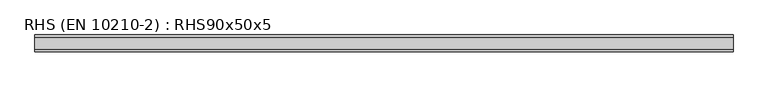
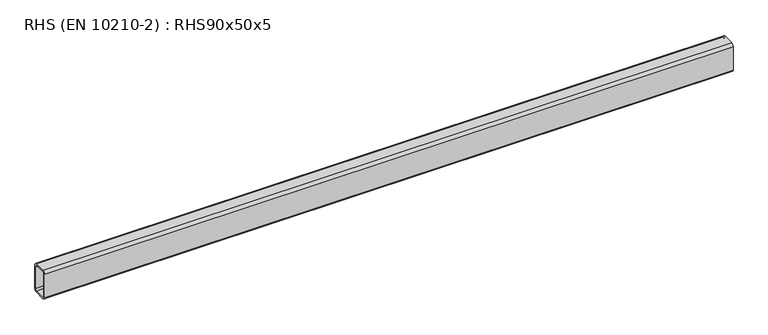
"""IFC4 building model written with IfcOpenShell, lengths in millimetres: beam geometry, RHS (EN 10210-2) : RHS90x50x5."""

from ifc_helpers import new_model, si_unit, point, frame, frame_2d, origin, place, context, project, spatial, polyline, circle_curve, trimmed, segment, composite_curve, outline, extrude, source, transform, mapped, element, save


def rhs_en_10210_2_rhs90x50x5_fdac1f56(model_context):
    return source(origin(), model_context, "Body", "SweptSolid", [
        extrude(outline(composite_curve([segment(polyline([(25.0, 37.5), (25.0, -37.5)]), True, "CONTINUOUS"), segment(trimmed(circle_curve(frame_2d((17.5, -37.5)), 7.5), [point((25.0, -37.5))], [point((17.5, -45.0))], False, "CARTESIAN"), True, "CONTINUOUS"), segment(polyline([(17.5, -45.0), (-17.5, -45.0)]), True, "CONTINUOUS"), segment(trimmed(circle_curve(frame_2d((-17.5, -37.5)), 7.5), [point((-17.5, -45.0))], [point((-25.0, -37.5))], False, "CARTESIAN"), True, "CONTINUOUS"), segment(polyline([(-25.0, -37.5), (-25.0, 37.5)]), True, "CONTINUOUS"), segment(trimmed(circle_curve(frame_2d((-17.5, 37.5)), 7.5), [point((-25.0, 37.5))], [point((-17.5, 45.0))], False, "CARTESIAN"), True, "CONTINUOUS"), segment(polyline([(-17.5, 45.0), (17.5, 45.0)]), True, "CONTINUOUS"), segment(trimmed(circle_curve(frame_2d((17.5, 37.5)), 7.5), [point((17.5, 45.0))], [point((25.0, 37.5))], False, "CARTESIAN"), True, "CONTINUOUS")], self_intersect=False), holes=[composite_curve([segment(trimmed(circle_curve(frame_2d((-15.0, 35.0)), 5.0), [point((-15.0, 40.0))], [point((-20.0, 35.0))], True, "CARTESIAN"), True, "CONTINUOUS"), segment(polyline([(-20.0, 35.0), (-20.0, -35.0)]), True, "CONTINUOUS"), segment(trimmed(circle_curve(frame_2d((-15.0, -35.0)), 5.0), [point((-20.0, -35.0))], [point((-15.0, -40.0))], True, "CARTESIAN"), True, "CONTINUOUS"), segment(polyline([(-15.0, -40.0), (15.0, -40.0)]), True, "CONTINUOUS"), segment(trimmed(circle_curve(frame_2d((15.0, -35.0)), 5.0), [point((15.0, -40.0))], [point((20.0, -35.0))], True, "CARTESIAN"), True, "CONTINUOUS"), segment(polyline([(20.0, -35.0), (20.0, 35.0)]), True, "CONTINUOUS"), segment(trimmed(circle_curve(frame_2d((15.0, 35.0)), 5.0), [point((20.0, 35.0))], [point((15.0, 40.0))], True, "CARTESIAN"), True, "CONTINUOUS"), segment(polyline([(15.0, 40.0), (-15.0, 40.0)]), True, "CONTINUOUS")], self_intersect=False)]), frame((-1053.0, 0.0, 0.0), z_axis=(1.0, 0.0, 0.0), x_axis=(0.0, 1.0, 0.0)), (0.0, 0.0, 1.0), 2089.1),
    ])


if __name__ == "__main__":
    model = new_model("IFC4")
    model_context = context("Model", 3, world=origin())
    ifc_project = project(units=[si_unit("LENGTHUNIT", "METRE", prefix="MILLI")], contexts=[model_context])
    site = spatial("IfcSite", under=ifc_project)
    building = spatial("IfcBuilding", under=site)
    placement = place(None, origin())
    rhs_en_10210_2_rhs90x50x5_shape = rhs_en_10210_2_rhs90x50x5_fdac1f56(model_context)
    element("IfcBeam", 1, ObjectType="RHS (EN 10210-2) : RHS90x50x5", at=placement, inside=building, context=model_context, shape_type="MappedRepresentation", body=[
        mapped(rhs_en_10210_2_rhs90x50x5_shape, transform((0.0, 0.0, 0.0), x_axis=(1.0, 0.0, 0.0), y_axis=(0.0, 1.0, 0.0), z_axis=(0.0, 0.0, 1.0))),
    ])
    save(model, "model.ifc")
